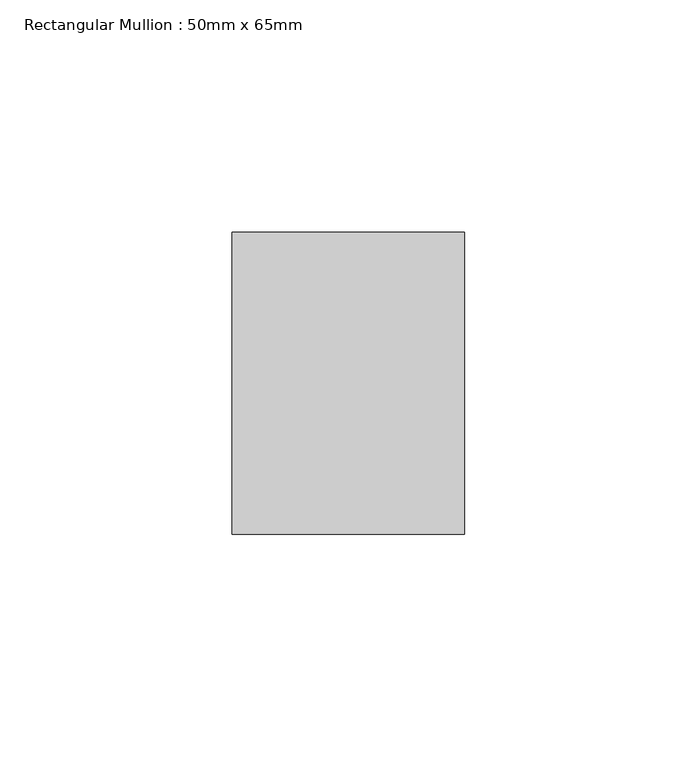
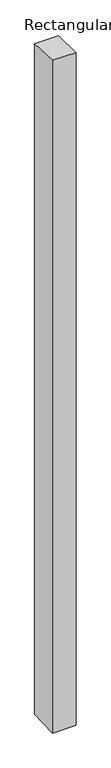
"""IFC4 building model written with IfcOpenShell, lengths in millimetres: member geometry, Rectangular Mullion : 50mm x 65mm."""

from ifc_helpers import new_model, si_unit, origin, place, context, project, spatial, faceted_brep, source, transform, mapped, element, save


def rectangular_mullion_50mm_x_65mm_05cbfa1f(model_context):
    return source(origin(), model_context, "Body", "Brep", [
        faceted_brep([(-25.0, 32.5, -1.1419494), (25.0, 32.5, -1.141951), (25.0, 32.5, -1498.5325074), (-25.0, 32.5, -1498.5325095), (-25.0, -32.5, 1.141951), (-25.0, -32.5, -1501.4678599), (25.0, -32.5, 1.1419494), (25.0, -32.5, -1501.4678578)], [[[0, 1, 2, 3]], [[4, 0, 3, 5]], [[6, 4, 5, 7]], [[1, 6, 7, 2]], [[1, 0, 4, 6]], [[2, 7, 5, 3]]]),
    ])


if __name__ == "__main__":
    model = new_model("IFC4")
    model_context = context("Model", 3, world=origin())
    ifc_project = project(units=[si_unit("LENGTHUNIT", "METRE", prefix="MILLI")], contexts=[model_context])
    site = spatial("IfcSite", under=ifc_project)
    building = spatial("IfcBuilding", under=site)
    placement = place(None, origin())
    rectangular_mullion_50mm_x_65mm_shape = rectangular_mullion_50mm_x_65mm_05cbfa1f(model_context)
    element("IfcMember", 1, ObjectType="Rectangular Mullion : 50mm x 65mm", at=placement, inside=building, context=model_context, shape_type="MappedRepresentation", body=[
        mapped(rectangular_mullion_50mm_x_65mm_shape, transform((0.0, 0.0, 0.0), x_axis=(1.0, 0.0, 0.0), y_axis=(0.0, 1.0, 0.0), z_axis=(0.0, 0.0, 1.0))),
    ])
    save(model, "model.ifc")
